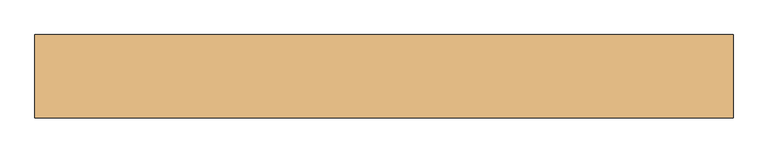
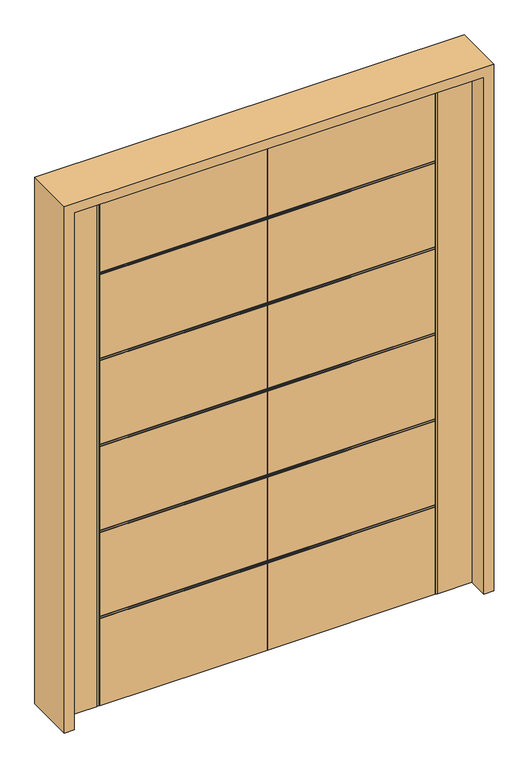
"""IFC4 building model written with IfcOpenShell, lengths in millimetres: door geometry."""

from ifc_helpers import new_model, si_unit, frame, origin, place, context, project, spatial, polyline, outline, extrude, faceted_brep, source, transform, mapped, element, save


def door_0528228e(model_context):
    return source(origin(), model_context, "Body", "SolidModel", [
        faceted_brep([(0.0, -22.225, 0.0), (-749.3, -22.225, 0.0), (-749.3, -18.9507813, 0.0), (-752.602, -18.9507813, 0.0), (-752.602, -22.225, 0.0), (-758.698, -22.225, 0.0), (-758.698, -18.9507813, 0.0), (-762.0, -18.9507813, 0.0), (-762.0, -22.225, 0.0), (-914.4, -22.225, 0.0), (-914.4, 22.225, 0.0), (-762.0, 22.225, 0.0), (-762.0, 18.923, 0.0), (-758.698, 18.923, 0.0), (-758.698, 22.225, 0.0), (-752.602, 22.225, 0.0), (-752.602, 18.923, 0.0), (-749.3, 18.923, 0.0), (-749.3, 22.225, 0.0), (0.0, 22.225, 0.0), (0.0, -22.225, 2438.4), (0.0, -22.225, 2045.462), (0.0, -18.9507813, 2045.462), (0.0, -18.9507813, 2042.16), (0.0, -22.225, 2042.16), (0.0, -22.225, 2036.064), (0.0, -18.9507813, 2036.064), (0.0, -18.9507813, 2032.762), (0.0, -22.225, 2032.762), (0.0, -22.225, 1639.824), (0.0, -18.9507813, 1639.824), (0.0, -18.9507813, 1636.522), (0.0, -22.225, 1636.522), (0.0, -22.225, 1630.426), (0.0, -18.9507813, 1630.426), (0.0, -18.9507813, 1627.124), (0.0, -22.225, 1627.124), (0.0, -22.225, 1234.186), (0.0, -18.9507813, 1234.186), (0.0, -18.9507813, 1230.884), (0.0, -22.225, 1230.884), (0.0, -22.225, 1224.788), (0.0, -18.9507813, 1224.788), (0.0, -18.9507813, 1221.486), (0.0, -22.225, 1221.486), (0.0, -22.225, 828.548), (0.0, -18.9507813, 828.548), (0.0, -18.9507813, 825.246), (0.0, -22.225, 825.246), (0.0, -22.225, 819.15), (0.0, -18.9507813, 819.15), (0.0, -18.9507813, 815.848), (0.0, -22.225, 815.848), (0.0, -22.225, 422.91), (0.0, -18.9507813, 422.91), (0.0, -18.9507813, 419.608), (0.0, -22.225, 419.608), (0.0, -22.225, 413.512), (0.0, -18.9507813, 413.512), (0.0, -18.9507813, 410.21), (0.0, -22.225, 410.21), (0.0, 22.225, 410.21), (0.0, 18.923, 410.21), (0.0, 18.923, 413.512), (0.0, 22.225, 413.512), (0.0, 22.225, 419.608), (0.0, 18.923, 419.608), (0.0, 18.923, 422.91), (0.0, 22.225, 422.91), (0.0, 22.225, 815.848), (0.0, 18.923, 815.848), (0.0, 18.923, 819.15), (0.0, 22.225, 819.15), (0.0, 22.225, 825.246), (0.0, 18.923, 825.246), (0.0, 18.923, 828.548), (0.0, 22.225, 828.548), (0.0, 22.225, 1221.486), (0.0, 18.923, 1221.486), (0.0, 18.923, 1224.788), (0.0, 22.225, 1224.788), (0.0, 22.225, 1230.884), (0.0, 18.923, 1230.884), (0.0, 18.923, 1234.186), (0.0, 22.225, 1234.186), (0.0, 22.225, 1627.124), (0.0, 18.923, 1627.124), (0.0, 18.923, 1630.426), (0.0, 22.225, 1630.426), (0.0, 22.225, 1636.522), (0.0, 18.923, 1636.522), (0.0, 18.923, 1639.824), (0.0, 22.225, 1639.824), (0.0, 22.225, 2032.762), (0.0, 18.923, 2032.762), (0.0, 18.923, 2036.064), (0.0, 22.225, 2036.064), (0.0, 22.225, 2042.16), (0.0, 18.923, 2042.16), (0.0, 18.923, 2045.462), (0.0, 22.225, 2045.462), (0.0, 22.225, 2438.4), (-749.3, 22.225, 2045.462), (-749.3, 22.225, 2438.4), (-752.602, 22.225, 2438.4), (-758.698, 22.225, 2438.4), (-749.3, 22.225, 410.21), (-749.3, 22.225, 413.512), (-749.3, 22.225, 419.608), (-749.3, 22.225, 422.91), (-749.3, 22.225, 815.848), (-749.3, 22.225, 819.15), (-749.3, 22.225, 825.246), (-749.3, 22.225, 828.548), (-749.3, 22.225, 1221.486), (-749.3, 22.225, 2036.064), (-749.3, 22.225, 2042.16), (-749.3, 22.225, 1224.788), (-749.3, 22.225, 1230.884), (-749.3, 22.225, 1234.186), (-749.3, 22.225, 1627.124), (-749.3, 22.225, 1630.426), (-749.3, 22.225, 1636.522), (-749.3, 22.225, 1639.824), (-749.3, 22.225, 2032.762), (-914.4, 22.225, 2438.4), (-762.0, 22.225, 2438.4), (-914.4, -22.225, 2438.4), (-762.0, -22.225, 2438.4), (-749.3, -22.225, 410.21), (-758.698, -22.225, 2438.4), (-752.602, -22.225, 2438.4), (-749.3, -22.225, 419.608), (-749.3, -22.225, 413.512), (-749.3, -22.225, 815.848), (-749.3, -22.225, 422.91), (-749.3, -22.225, 825.246), (-749.3, -22.225, 819.15), (-749.3, -22.225, 2438.4), (-749.3, -22.225, 2045.462), (-749.3, -22.225, 2042.16), (-749.3, -22.225, 2036.064), (-749.3, -22.225, 1221.486), (-749.3, -22.225, 828.548), (-749.3, -22.225, 1230.884), (-749.3, -22.225, 1224.788), (-749.3, -22.225, 1627.124), (-749.3, -22.225, 1234.186), (-749.3, -22.225, 1636.522), (-749.3, -22.225, 1630.426), (-749.3, -22.225, 2032.762), (-749.3, -22.225, 1639.824), (-762.0, -18.9507813, 2438.4), (-758.698, -18.9507813, 2438.4), (-752.602, -18.9507813, 2438.4), (-749.3, -18.9507813, 2438.4), (-749.3, 18.923, 2438.4), (-752.602, 18.923, 2438.4), (-758.698, 18.923, 2438.4), (-762.0, 18.923, 2438.4), (-749.3, -18.9507813, 410.21), (-749.3, -18.9507813, 413.512), (-749.3, -18.9507813, 419.608), (-749.3, -18.9507813, 422.91), (-749.3, -18.9507813, 815.848), (-749.3, -18.9507813, 819.15), (-749.3, -18.9507813, 825.246), (-749.3, -18.9507813, 828.548), (-749.3, -18.9507813, 1221.486), (-749.3, -18.9507813, 1224.788), (-749.3, -18.9507813, 1230.884), (-749.3, -18.9507813, 1234.186), (-749.3, -18.9507813, 1627.124), (-749.3, -18.9507813, 1630.426), (-749.3, -18.9507813, 1636.522), (-749.3, -18.9507813, 1639.824), (-749.3, -18.9507813, 2032.762), (-749.3, -18.9507813, 2036.064), (-749.3, -18.9507813, 2042.16), (-749.3, -18.9507813, 2045.462), (-749.3, 18.923, 410.21), (-749.3, 18.923, 2045.462), (-749.3, 18.923, 2042.16), (-749.3, 18.923, 2036.064), (-749.3, 18.923, 2032.762), (-749.3, 18.923, 1639.824), (-749.3, 18.923, 1636.522), (-749.3, 18.923, 1630.426), (-749.3, 18.923, 1627.124), (-749.3, 18.923, 1234.186), (-749.3, 18.923, 1230.884), (-749.3, 18.923, 1224.788), (-749.3, 18.923, 1221.486), (-749.3, 18.923, 828.548), (-749.3, 18.923, 825.246), (-749.3, 18.923, 819.15), (-749.3, 18.923, 815.848), (-749.3, 18.923, 422.91), (-749.3, 18.923, 419.608), (-749.3, 18.923, 413.512)], [[[0, 1, 2, 3, 4, 5, 6, 7, 8, 9, 10, 11, 12, 13, 14, 15, 16, 17, 18, 19]], [[20, 21, 22, 23, 24, 25, 26, 27, 28, 29, 30, 31, 32, 33, 34, 35, 36, 37, 38, 39, 40, 41, 42, 43, 44, 45, 46, 47, 48, 49, 50, 51, 52, 53, 54, 55, 56, 57, 58, 59, 60, 0, 19, 61, 62, 63, 64, 65, 66, 67, 68, 69, 70, 71, 72, 73, 74, 75, 76, 77, 78, 79, 80, 81, 82, 83, 84, 85, 86, 87, 88, 89, 90, 91, 92, 93, 94, 95, 96, 97, 98, 99, 100, 101]], [[101, 100, 102, 103]], [[104, 15, 14, 105]], [[18, 106, 61, 19]], [[64, 107, 108, 65]], [[68, 109, 110, 69]], [[72, 111, 112, 73]], [[76, 113, 114, 77]], [[96, 115, 116, 97]], [[80, 117, 118, 81]], [[84, 119, 120, 85]], [[88, 121, 122, 89]], [[92, 123, 124, 93]], [[125, 126, 11, 10]], [[125, 10, 9, 127]], [[9, 8, 128, 127]], [[0, 60, 129, 1]], [[130, 5, 4, 131]], [[56, 132, 133, 57]], [[52, 134, 135, 53]], [[48, 136, 137, 49]], [[138, 139, 21, 20]], [[24, 140, 141, 25]], [[44, 142, 143, 45]], [[40, 144, 145, 41]], [[36, 146, 147, 37]], [[32, 148, 149, 33]], [[28, 150, 151, 29]], [[127, 128, 152, 153, 130, 131, 154, 155, 138, 20, 101, 103, 156, 157, 104, 105, 158, 159, 126, 125]], [[152, 128, 8, 7]], [[3, 2, 160, 59, 58, 161, 162, 55, 54, 163, 164, 51, 50, 165, 166, 47, 46, 167, 168, 43, 42, 169, 170, 39, 38, 171, 172, 35, 34, 173, 174, 31, 30, 175, 176, 27, 26, 177, 178, 23, 22, 179, 155, 154]], [[7, 6, 153, 152]], [[6, 5, 130, 153]], [[154, 131, 4, 3]], [[2, 1, 129, 160]], [[160, 129, 60, 59]], [[58, 57, 133, 161]], [[161, 133, 132, 162]], [[162, 132, 56, 55]], [[54, 53, 135, 163]], [[163, 135, 134, 164]], [[164, 134, 52, 51]], [[50, 49, 137, 165]], [[165, 137, 136, 166]], [[166, 136, 48, 47]], [[46, 45, 143, 167]], [[167, 143, 142, 168]], [[179, 139, 138, 155]], [[175, 151, 150, 176]], [[176, 150, 28, 27]], [[26, 25, 141, 177]], [[177, 141, 140, 178]], [[178, 140, 24, 23]], [[22, 21, 139, 179]], [[168, 142, 44, 43]], [[42, 41, 145, 169]], [[169, 145, 144, 170]], [[170, 144, 40, 39]], [[38, 37, 147, 171]], [[171, 147, 146, 172]], [[172, 146, 36, 35]], [[34, 33, 149, 173]], [[173, 149, 148, 174]], [[174, 148, 32, 31]], [[30, 29, 151, 175]], [[180, 106, 18, 17]], [[13, 12, 159, 158]], [[17, 16, 157, 156, 181, 99, 98, 182, 183, 95, 94, 184, 185, 91, 90, 186, 187, 87, 86, 188, 189, 83, 82, 190, 191, 79, 78, 192, 193, 75, 74, 194, 195, 71, 70, 196, 197, 67, 66, 198, 199, 63, 62, 180]], [[16, 15, 104, 157]], [[158, 105, 14, 13]], [[12, 11, 126, 159]], [[62, 61, 106, 180]], [[66, 65, 108, 198]], [[198, 108, 107, 199]], [[199, 107, 64, 63]], [[70, 69, 110, 196]], [[196, 110, 109, 197]], [[197, 109, 68, 67]], [[74, 73, 112, 194]], [[194, 112, 111, 195]], [[195, 111, 72, 71]], [[192, 114, 113, 193]], [[193, 113, 76, 75]], [[156, 103, 102, 181]], [[184, 124, 123, 185]], [[94, 93, 124, 184]], [[183, 115, 96, 95]], [[182, 116, 115, 183]], [[98, 97, 116, 182]], [[181, 102, 100, 99]], [[78, 77, 114, 192]], [[191, 117, 80, 79]], [[190, 118, 117, 191]], [[82, 81, 118, 190]], [[189, 119, 84, 83]], [[188, 120, 119, 189]], [[86, 85, 120, 188]], [[187, 121, 88, 87]], [[186, 122, 121, 187]], [[90, 89, 122, 186]], [[185, 123, 92, 91]]]),
        faceted_brep([(0.0, -22.225, 0.0), (0.0, 22.225, 0.0), (749.3, 22.225, 0.0), (749.3, 18.923, 0.0), (752.602, 18.923, 0.0), (752.602, 22.225, 0.0), (758.698, 22.225, 0.0), (758.698, 18.923, 0.0), (762.0, 18.923, 0.0), (762.0, 22.225, 0.0), (914.4, 22.225, 0.0), (914.4, -22.225, 0.0), (762.0, -22.225, 0.0), (762.0, -18.9507813, 0.0), (758.698, -18.9507813, 0.0), (758.698, -22.225, 0.0), (752.602, -22.225, 0.0), (752.602, -18.9507813, 0.0), (749.3, -18.9507813, 0.0), (749.3, -22.225, 0.0), (0.0, -22.225, 2438.4), (0.0, 22.225, 2438.4), (0.0, 22.225, 2045.462), (0.0, 18.923, 2045.462), (0.0, 18.923, 2042.16), (0.0, 22.225, 2042.16), (0.0, 22.225, 2036.064), (0.0, 18.923, 2036.064), (0.0, 18.923, 2032.762), (0.0, 22.225, 2032.762), (0.0, 22.225, 1639.824), (0.0, 18.923, 1639.824), (0.0, 18.923, 1636.522), (0.0, 22.225, 1636.522), (0.0, 22.225, 1630.426), (0.0, 18.923, 1630.426), (0.0, 18.923, 1627.124), (0.0, 22.225, 1627.124), (0.0, 22.225, 1234.186), (0.0, 18.923, 1234.186), (0.0, 18.923, 1230.884), (0.0, 22.225, 1230.884), (0.0, 22.225, 1224.788), (0.0, 18.923, 1224.788), (0.0, 18.923, 1221.486), (0.0, 22.225, 1221.486), (0.0, 22.225, 828.548), (0.0, 18.923, 828.548), (0.0, 18.923, 825.246), (0.0, 22.225, 825.246), (0.0, 22.225, 819.15), (0.0, 18.923, 819.15), (0.0, 18.923, 815.848), (0.0, 22.225, 815.848), (0.0, 22.225, 422.91), (0.0, 18.923, 422.91), (0.0, 18.923, 419.608), (0.0, 22.225, 419.608), (0.0, 22.225, 413.512), (0.0, 18.923, 413.512), (0.0, 18.923, 410.21), (0.0, 22.225, 410.21), (0.0, -22.225, 410.21), (0.0, -18.9507813, 410.21), (0.0, -18.9507813, 413.512), (0.0, -22.225, 413.512), (0.0, -22.225, 419.608), (0.0, -18.9507813, 419.608), (0.0, -18.9507813, 422.91), (0.0, -22.225, 422.91), (0.0, -22.225, 815.848), (0.0, -18.9507813, 815.848), (0.0, -18.9507813, 819.15), (0.0, -22.225, 819.15), (0.0, -22.225, 825.246), (0.0, -18.9507813, 825.246), (0.0, -18.9507813, 828.548), (0.0, -22.225, 828.548), (0.0, -22.225, 1221.486), (0.0, -18.9507813, 1221.486), (0.0, -18.9507813, 1224.788), (0.0, -22.225, 1224.788), (0.0, -22.225, 1230.884), (0.0, -18.9507813, 1230.884), (0.0, -18.9507813, 1234.186), (0.0, -22.225, 1234.186), (0.0, -22.225, 1627.124), (0.0, -18.9507813, 1627.124), (0.0, -18.9507813, 1630.426), (0.0, -22.225, 1630.426), (0.0, -22.225, 1636.522), (0.0, -18.9507813, 1636.522), (0.0, -18.9507813, 1639.824), (0.0, -22.225, 1639.824), (0.0, -22.225, 2032.762), (0.0, -18.9507813, 2032.762), (0.0, -18.9507813, 2036.064), (0.0, -22.225, 2036.064), (0.0, -22.225, 2042.16), (0.0, -18.9507813, 2042.16), (0.0, -18.9507813, 2045.462), (0.0, -22.225, 2045.462), (749.3, 22.225, 410.21), (749.3, 22.225, 2042.16), (749.3, 22.225, 2036.064), (749.3, 22.225, 2032.762), (749.3, 22.225, 1639.824), (749.3, 22.225, 1636.522), (749.3, 22.225, 1630.426), (749.3, 22.225, 1627.124), (749.3, 22.225, 1234.186), (749.3, 22.225, 1230.884), (749.3, 22.225, 1224.788), (749.3, 22.225, 1221.486), (749.3, 22.225, 828.548), (749.3, 22.225, 825.246), (749.3, 22.225, 819.15), (749.3, 22.225, 815.848), (749.3, 22.225, 422.91), (749.3, 22.225, 419.608), (749.3, 22.225, 413.512), (914.4, 22.225, 2438.4), (762.0, 22.225, 2438.4), (752.602, 22.225, 2438.4), (758.698, 22.225, 2438.4), (749.3, 22.225, 2438.4), (749.3, 22.225, 2045.462), (914.4, -22.225, 2438.4), (749.3, -22.225, 410.21), (762.0, -22.225, 2438.4), (749.3, -22.225, 413.512), (749.3, -22.225, 419.608), (749.3, -22.225, 422.91), (749.3, -22.225, 815.848), (749.3, -22.225, 819.15), (749.3, -22.225, 825.246), (749.3, -22.225, 828.548), (749.3, -22.225, 1221.486), (749.3, -22.225, 2036.064), (749.3, -22.225, 2042.16), (749.3, -22.225, 1224.788), (749.3, -22.225, 1230.884), (749.3, -22.225, 1234.186), (749.3, -22.225, 1627.124), (749.3, -22.225, 1630.426), (749.3, -22.225, 1636.522), (749.3, -22.225, 1639.824), (749.3, -22.225, 2032.762), (749.3, -22.225, 2438.4), (749.3, -22.225, 2045.462), (758.698, -22.225, 2438.4), (752.602, -22.225, 2438.4), (762.0, 18.923, 2438.4), (758.698, 18.923, 2438.4), (752.602, 18.923, 2438.4), (749.3, 18.923, 2438.4), (749.3, -18.9507813, 2438.4), (752.602, -18.9507813, 2438.4), (758.698, -18.9507813, 2438.4), (762.0, -18.9507813, 2438.4), (749.3, -18.9507813, 2045.462), (749.3, -18.9507813, 2042.16), (749.3, -18.9507813, 2036.064), (749.3, -18.9507813, 2032.762), (749.3, -18.9507813, 1639.824), (749.3, -18.9507813, 1636.522), (749.3, -18.9507813, 1630.426), (749.3, -18.9507813, 1627.124), (749.3, -18.9507813, 1234.186), (749.3, -18.9507813, 1230.884), (749.3, -18.9507813, 1224.788), (749.3, -18.9507813, 1221.486), (749.3, -18.9507813, 828.548), (749.3, -18.9507813, 825.246), (749.3, -18.9507813, 819.15), (749.3, -18.9507813, 815.848), (749.3, -18.9507813, 422.91), (749.3, -18.9507813, 419.608), (749.3, -18.9507813, 413.512), (749.3, -18.9507813, 410.21), (749.3, 18.923, 410.21), (749.3, 18.923, 413.512), (749.3, 18.923, 419.608), (749.3, 18.923, 422.91), (749.3, 18.923, 815.848), (749.3, 18.923, 819.15), (749.3, 18.923, 825.246), (749.3, 18.923, 828.548), (749.3, 18.923, 1221.486), (749.3, 18.923, 1224.788), (749.3, 18.923, 1230.884), (749.3, 18.923, 1234.186), (749.3, 18.923, 1627.124), (749.3, 18.923, 1630.426), (749.3, 18.923, 1636.522), (749.3, 18.923, 1639.824), (749.3, 18.923, 2032.762), (749.3, 18.923, 2036.064), (749.3, 18.923, 2042.16), (749.3, 18.923, 2045.462)], [[[0, 1, 2, 3, 4, 5, 6, 7, 8, 9, 10, 11, 12, 13, 14, 15, 16, 17, 18, 19]], [[20, 21, 22, 23, 24, 25, 26, 27, 28, 29, 30, 31, 32, 33, 34, 35, 36, 37, 38, 39, 40, 41, 42, 43, 44, 45, 46, 47, 48, 49, 50, 51, 52, 53, 54, 55, 56, 57, 58, 59, 60, 61, 1, 0, 62, 63, 64, 65, 66, 67, 68, 69, 70, 71, 72, 73, 74, 75, 76, 77, 78, 79, 80, 81, 82, 83, 84, 85, 86, 87, 88, 89, 90, 91, 92, 93, 94, 95, 96, 97, 98, 99, 100, 101]], [[2, 1, 61, 102]], [[26, 25, 103, 104]], [[30, 29, 105, 106]], [[34, 33, 107, 108]], [[38, 37, 109, 110]], [[42, 41, 111, 112]], [[46, 45, 113, 114]], [[50, 49, 115, 116]], [[54, 53, 117, 118]], [[58, 57, 119, 120]], [[121, 10, 9, 122]], [[123, 124, 6, 5]], [[21, 125, 126, 22]], [[121, 127, 11, 10]], [[0, 19, 128, 62]], [[11, 127, 129, 12]], [[66, 65, 130, 131]], [[70, 69, 132, 133]], [[74, 73, 134, 135]], [[78, 77, 136, 137]], [[98, 97, 138, 139]], [[82, 81, 140, 141]], [[86, 85, 142, 143]], [[90, 89, 144, 145]], [[94, 93, 146, 147]], [[148, 20, 101, 149]], [[150, 151, 16, 15]], [[127, 121, 122, 152, 153, 124, 123, 154, 155, 125, 21, 20, 148, 156, 157, 151, 150, 158, 159, 129]], [[159, 13, 12, 129]], [[13, 159, 158, 14]], [[17, 157, 156, 160, 100, 99, 161, 162, 96, 95, 163, 164, 92, 91, 165, 166, 88, 87, 167, 168, 84, 83, 169, 170, 80, 79, 171, 172, 76, 75, 173, 174, 72, 71, 175, 176, 68, 67, 177, 178, 64, 63, 179, 18]], [[14, 158, 150, 15]], [[157, 17, 16, 151]], [[18, 179, 128, 19]], [[179, 63, 62, 128]], [[64, 178, 130, 65]], [[178, 177, 131, 130]], [[177, 67, 66, 131]], [[68, 176, 132, 69]], [[176, 175, 133, 132]], [[175, 71, 70, 133]], [[72, 174, 134, 73]], [[174, 173, 135, 134]], [[173, 75, 74, 135]], [[76, 172, 136, 77]], [[172, 171, 137, 136]], [[160, 156, 148, 149]], [[164, 163, 147, 146]], [[163, 95, 94, 147]], [[96, 162, 138, 97]], [[162, 161, 139, 138]], [[161, 99, 98, 139]], [[100, 160, 149, 101]], [[171, 79, 78, 137]], [[80, 170, 140, 81]], [[170, 169, 141, 140]], [[169, 83, 82, 141]], [[84, 168, 142, 85]], [[168, 167, 143, 142]], [[167, 87, 86, 143]], [[88, 166, 144, 89]], [[166, 165, 145, 144]], [[165, 91, 90, 145]], [[92, 164, 146, 93]], [[180, 3, 2, 102]], [[3, 180, 60, 59, 181, 182, 56, 55, 183, 184, 52, 51, 185, 186, 48, 47, 187, 188, 44, 43, 189, 190, 40, 39, 191, 192, 36, 35, 193, 194, 32, 31, 195, 196, 28, 27, 197, 198, 24, 23, 199, 155, 154, 4]], [[7, 153, 152, 8]], [[4, 154, 123, 5]], [[153, 7, 6, 124]], [[8, 152, 122, 9]], [[60, 180, 102, 61]], [[56, 182, 119, 57]], [[182, 181, 120, 119]], [[181, 59, 58, 120]], [[52, 184, 117, 53]], [[184, 183, 118, 117]], [[183, 55, 54, 118]], [[48, 186, 115, 49]], [[186, 185, 116, 115]], [[185, 51, 50, 116]], [[188, 187, 114, 113]], [[187, 47, 46, 114]], [[155, 199, 126, 125]], [[196, 195, 106, 105]], [[28, 196, 105, 29]], [[197, 27, 26, 104]], [[198, 197, 104, 103]], [[24, 198, 103, 25]], [[199, 23, 22, 126]], [[44, 188, 113, 45]], [[189, 43, 42, 112]], [[190, 189, 112, 111]], [[40, 190, 111, 41]], [[191, 39, 38, 110]], [[192, 191, 110, 109]], [[36, 192, 109, 37]], [[193, 35, 34, 108]], [[194, 193, 108, 107]], [[32, 194, 107, 33]], [[195, 31, 30, 106]]]),
        extrude(outline(polyline([(0.0, -958.85), (0.0, -914.4), (2438.4, -914.4), (2438.4, 914.4), (0.0, 914.4), (0.0, 958.85), (2482.85, 958.85), (2482.85, -958.85), (0.0, -958.85)])), frame((0.0, -114.3, 0.0), z_axis=(0.0, 1.0, 0.0), x_axis=(0.0, 0.0, 1.0)), (0.0, 0.0, 1.0), 228.6),
    ])


if __name__ == "__main__":
    model = new_model("IFC4")
    model_context = context("Model", 3, world=origin())
    ifc_project = project(units=[si_unit("LENGTHUNIT", "METRE", prefix="MILLI")], contexts=[model_context])
    site = spatial("IfcSite", under=ifc_project)
    building = spatial("IfcBuilding", under=site)
    placement = place(None, origin())
    door_shape = door_0528228e(model_context)
    element("IfcDoor", 1, at=placement, inside=building, context=model_context, shape_type="MappedRepresentation", body=[
        mapped(door_shape, transform((0.0, 0.0, 0.0), x_axis=(1.0, 0.0, 0.0), y_axis=(0.0, 1.0, 0.0), z_axis=(0.0, 0.0, 1.0))),
    ])
    save(model, "model.ifc")
